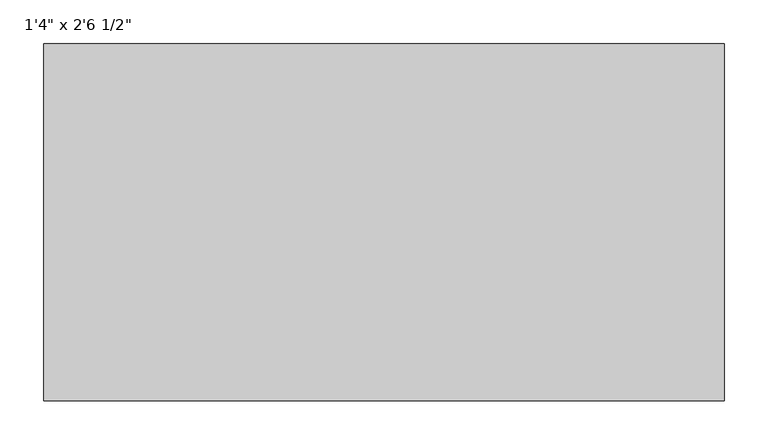
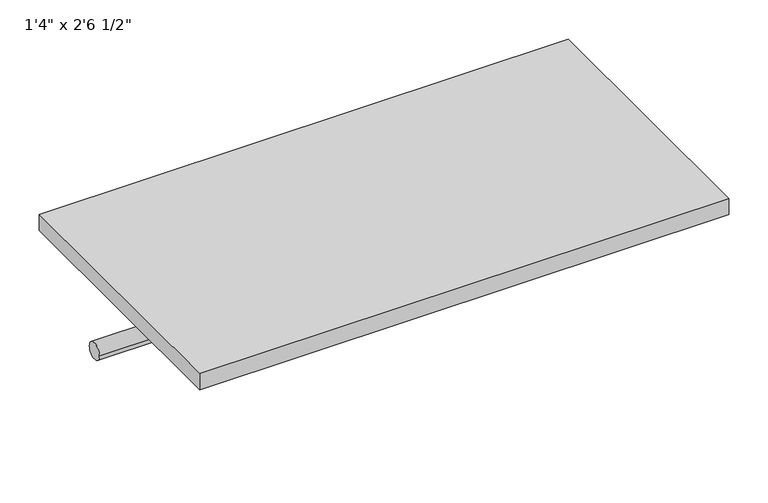
"""IFC4 building model written with IfcOpenShell, lengths in millimetres: furniture geometry."""

from ifc_helpers import new_model, si_unit, point, frame, frame_2d, origin, origin_with_axes, place, context, project, spatial, polyline, circle_curve, trimmed, segment, composite_curve, outline, extrude, source, transform, mapped, element, save


def furniture_13b68b0e(model_context):
    return source(origin(), model_context, "Body", "SweptSolid", [
        extrude(outline(composite_curve([segment(trimmed(circle_curve(frame_2d((-342.9, -101.6)), 12.7), [point((-330.2, -101.6))], [point((-355.6, -101.6))], False, "CARTESIAN"), True, "CONTINUOUS"), segment(trimmed(circle_curve(frame_2d((-342.9, -101.6)), 12.7), [point((-355.6, -101.6))], [point((-330.2, -101.6))], False, "CARTESIAN"), True, "CONTINUOUS")], self_intersect=False)), frame((-368.6122951, 0.0, 0.0), z_axis=(1.0, 0.0, 0.0), x_axis=(0.0, 1.0, 0.0)), (0.0, 0.0, 1.0), 774.7),
        extrude(outline(polyline([(406.0877049, -203.2), (406.0877049, -609.6), (-368.6122951, -609.6), (-368.6122951, -203.2), (406.0877049, -203.2)])), origin_with_axes(), (0.0, 0.0, 1.0), 25.4),
    ])


if __name__ == "__main__":
    model = new_model("IFC4")
    model_context = context("Model", 3, world=origin())
    ifc_project = project(units=[si_unit("LENGTHUNIT", "METRE", prefix="MILLI")], contexts=[model_context])
    site = spatial("IfcSite", under=ifc_project)
    building = spatial("IfcBuilding", under=site)
    placement = place(None, origin())
    furniture_shape = furniture_13b68b0e(model_context)
    element("IfcFurniture", 1, ObjectType="1'4\" x 2'6 1/2\"", at=placement, inside=building, context=model_context, shape_type="MappedRepresentation", body=[
        mapped(furniture_shape, transform((0.0, 0.0, 0.0), x_axis=(1.0, 0.0, 0.0), y_axis=(0.0, 1.0, 0.0), z_axis=(0.0, 0.0, 1.0))),
    ])
    save(model, "model.ifc")
